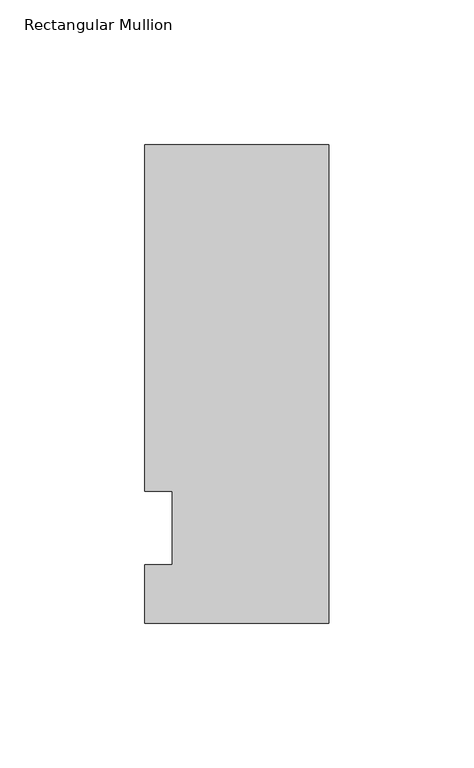
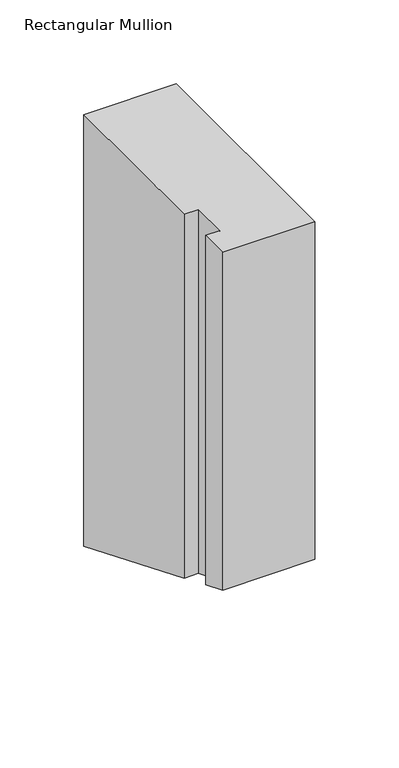
"""IFC4 building model written with IfcOpenShell, lengths in millimetres: member geometry, Rectangular Mullion."""

from ifc_helpers import new_model, si_unit, origin, place, context, project, spatial, faceted_brep, source, transform, mapped, element, save


def rectangular_mullion_0964125d(model_context):
    return source(origin(), model_context, "Body", "Brep", [
        faceted_brep([(0.0, -20.0421875, 0.0), (-63.5, -20.0421875, 0.0), (-63.5, -20.0421875, -245.6982541), (0.0, -20.0421875, -245.6982541), (0.0, 145.0578125, 0.0), (0.0, 145.0578125, -314.0849133), (-63.5, 145.0578125, 0.0), (-63.5, 145.0578125, -314.0849133), (-63.5, 25.4, 0.0), (-63.5, 25.4, -264.5210245), (-53.975, 25.4, 0.0), (-53.975, 25.4, -264.5210245), (-53.975, 0.0, 0.0), (-53.975, 0.0, -254.0), (-63.5, 0.0, 0.0), (-63.5, 0.0, -254.0)], [[[0, 1, 2, 3]], [[4, 0, 3, 5]], [[6, 4, 5, 7]], [[8, 6, 7, 9]], [[10, 8, 9, 11]], [[12, 10, 11, 13]], [[14, 12, 13, 15]], [[1, 14, 15, 2]], [[1, 0, 4, 6, 8, 10, 12, 14]], [[2, 15, 13, 11, 9, 7, 5, 3]]]),
    ])


if __name__ == "__main__":
    model = new_model("IFC4")
    model_context = context("Model", 3, world=origin())
    ifc_project = project(units=[si_unit("LENGTHUNIT", "METRE", prefix="MILLI")], contexts=[model_context])
    site = spatial("IfcSite", under=ifc_project)
    building = spatial("IfcBuilding", under=site)
    placement = place(None, origin())
    rectangular_mullion_shape = rectangular_mullion_0964125d(model_context)
    element("IfcMember", 1, ObjectType="Rectangular Mullion", at=placement, inside=building, context=model_context, shape_type="MappedRepresentation", body=[
        mapped(rectangular_mullion_shape, transform((0.0, 0.0, 0.0), x_axis=(1.0, 0.0, 0.0), y_axis=(0.0, 1.0, 0.0), z_axis=(0.0, 0.0, 1.0))),
    ])
    save(model, "model.ifc")
